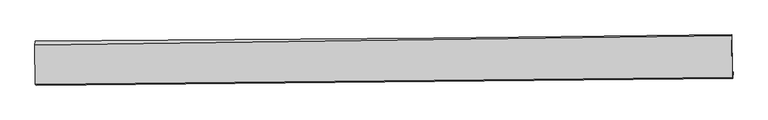
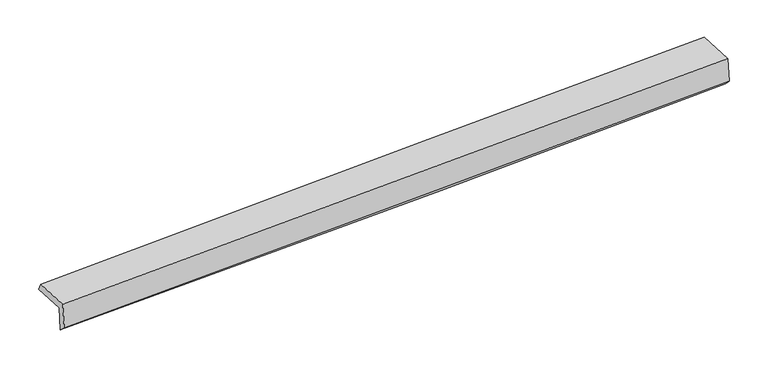
"""IFC4 building model written with IfcOpenShell, lengths in millimetres: proxy geometry."""

from ifc_helpers import new_model, si_unit, frame, origin, place, context, project, spatial, source, transform, mapped, element, save
from ifc_brep_helpers import plane_surface, spline_curve, spline_surface, advanced_brep


def generic_models_24ec1b34(model_context):
    return source(origin(), model_context, "Body", "AdvancedBrep", [
        advanced_brep(
        [(-5941.6040443, -1868.4134845, 1451.2293157), (-5954.8987172, -1853.4756017, 1841.6475662), (5393.4791849, -1751.2176044, 2234.1875022), (5407.1139359, -1766.5375986, 1833.7823433), (-5944.1074259, -1982.7569562, 1560.5885369), (5404.5206292, -1870.8889034, 1942.7561898), (-5958.1673313, -1966.959259, 1973.4789997), (5390.8008019, -1855.4733176, 2345.6597442), (-5963.9396117, -1325.5633554, 1948.7418431), (5384.6688211, -1174.1087463, 2319.3810886), (-5960.2315295, -1260.9118822, 1818.7937541), (5388.1463726, -1158.653885, 2211.33369)],
        [
            (0, 1),
            (1, 2, spline_curve(3, [(-5954.8987172, -1853.4756017, 1841.6475662), (-3791.186960087, -1839.146855124, 1912.228326145), (-1627.587193091, -1821.863332543, 1985.242771585), (2155.156185013, -1786.477741905, 2117.159817883), (3774.349051835, -1769.675265559, 2174.992017987), (5393.4791849, -1751.2176044, 2234.1875022)], [4, 2, 4], [0.0, 21.30811217937823, 37.25610151690787])),
            (2, 3),
            (3, 0, spline_curve(3, [(5407.1139359, -1766.5375986, 1833.7823433), (3788.218323866, -1785.258767855, 1767.699787937), (2169.138816301, -1802.188614546, 1706.538618578), (-1613.62278873, -1837.553724263, 1575.156848077), (-3777.449274489, -1854.582506789, 1508.800341699), (-5941.6040443, -1868.4134845, 1451.2293157)], [4, 2, 4], [0.0, 15.947989337529638, 37.25610151690787])),
            (4, 0),
            (3, 5),
            (5, 4, spline_curve(3, [(5404.5206292, -1870.8889034, 1942.7561898), (3785.219008496, -1888.09756437, 1888.273530616), (2165.912781812, -1904.772670618, 1833.770300024), (-1616.959620274, -1942.480949667, 1706.397234421), (-3780.529412799, -1963.095195026, 1633.511247564), (-5944.1074259, -1982.7569562, 1560.5885369)], [4, 2, 4], [0.0, 15.947957395189619, 37.25602689640009])),
            (6, 4),
            (5, 7),
            (7, 6, spline_curve(3, [(5390.8008019, -1855.4733176, 2345.6597442), (3771.337296368, -1872.500085896, 2295.93106601), (2151.917710644, -1889.047821081, 2244.756804984), (-1631.106150705, -1926.585920454, 2121.831575724), (-3794.675943102, -1947.200165919, 2048.945588899), (-5958.1673313, -1966.959259, 1973.4789997)], [4, 2, 4], [0.0, 15.94792717125901, 37.25595629026893])),
            (8, 6),
            (7, 9),
            (9, 8, spline_curve(3, [(5384.6688211, -1174.1087463, 2319.3810886), (3765.219311322, -1192.690677925, 2269.712389283), (2145.829700956, -1212.56913562, 2218.666586584), (-1637.086807272, -1262.036019341, 2096.201423296), (-3800.566673788, -1292.642431485, 2023.70081102), (-5963.9396117, -1325.5633554, 1948.7418431)], [4, 2, 4], [0.0, 15.947951479029197, 37.256013075656384])),
            (10, 8),
            (9, 11),
            (11, 10, spline_curve(3, [(5388.1463726, -1158.653885, 2211.33369), (3769.016239446, -1177.111546506, 2152.138205825), (2149.823372313, -1193.914022444, 2094.306005742), (-1632.920004857, -1229.299612991, 1962.388959541), (-3796.519772375, -1246.583136079, 1889.374513786), (-5960.2315295, -1260.9118822, 1818.7937541)], [4, 2, 4], [0.0, 15.947927170297593, 37.25595628802296])),
            (1, 10),
            (11, 2),
        ],
        [
            spline_surface(3, 3, [[(-5941.6040443, -1868.4134845, 1451.2293157), (-3777.449274409, -1854.58250648, 1508.800341658), (-1613.622788744, -1837.553724504, 1575.15684822), (2169.138816312, -1802.188614366, 1706.538618471), (3788.218324039, -1785.258767688, 1767.699787745), (5407.1139359, -1766.5375986, 1833.7823433)], [(-5946.035601946, -1863.434190251, 1581.368732536), (-3782.02850288, -1849.437289424, 1643.276336411), (-1618.277590117, -1832.323593802, 1711.852155933), (2164.477939125, -1796.951656884, 1843.412351693), (3783.595233303, -1780.064267029, 1903.463864487), (5402.569018902, -1761.430933884, 1967.250729576)], [(-5950.467159554, -1858.454895949, 1711.508149364), (-3786.607731312, -1844.292072313, 1777.752331156), (-1622.932391438, -1827.093463153, 1848.547463598), (2159.81706199, -1791.714699455, 1980.286084866), (3778.972142562, -1774.869766319, 2039.2279413), (5398.024101898, -1756.324269116, 2100.719115924)], [(-5954.8987172, -1853.4756017, 1841.6475662), (-3791.186959783, -1839.146855256, 1912.22832591), (-1627.58719281, -1821.863332451, 1985.242771312), (2155.156184803, -1786.477741974, 2117.159818088), (3774.349051826, -1769.67526566, 2174.992018042), (5393.4791849, -1751.2176044, 2234.1875022)]], [4, 4], [4, 2, 4], [0.0, 1.346825880602295], [0.0, 21.30811217937823, 37.25610151690787]),
            spline_surface(3, 3, [[(-5944.1074259, -1982.7569562, 1560.5885369), (-3780.529412463, -1963.095194942, 1633.511247209), (-1616.959620425, -1942.48094985, 1706.397234323), (2165.912781926, -1904.772670481, 1833.770300098), (3785.219008244, -1888.097564632, 1888.273530631), (5404.5206292, -1870.8889034, 1942.7561898)], [(-5943.272965379, -1944.642465608, 1524.135463169), (-3779.502699791, -1926.924298763, 1591.940945361), (-1615.847343174, -1907.505208085, 1662.650438934), (2166.988126745, -1870.577985127, 1791.359739534), (3786.218780162, -1853.817965632, 1848.082283028), (5405.385064753, -1836.105135115, 1906.431574325)], [(-5942.438504821, -1906.527975092, 1487.682389431), (-3778.475987081, -1890.753402659, 1550.370643506), (-1614.735065996, -1872.529466269, 1618.903643609), (2168.063471492, -1836.383299721, 1748.949179035), (3787.21855212, -1819.538366687, 1807.891035349), (5406.249500347, -1801.321366885, 1870.106958775)], [(-5941.6040443, -1868.4134845, 1451.2293157), (-3777.449274409, -1854.58250648, 1508.800341658), (-1613.622788744, -1837.553724504, 1575.15684822), (2169.138816312, -1802.188614366, 1706.538618471), (3788.218324039, -1785.258767688, 1767.699787745), (5407.1139359, -1766.5375986, 1833.7823433)]], [4, 4], [4, 2, 4], [0.0, 0.5451636408277997], [0.0, 21.30806950121047, 37.25602689640009]),
            spline_surface(3, 3, [[(-5958.1673313, -1966.959259, 1973.4789997), (-3794.675943005, -1947.200165809, 2048.945588788), (-1631.106150967, -1926.585920617, 2121.831575902), (2151.91771084, -1889.047820959, 2244.756804851), (3771.337296554, -1872.500085675, 2295.931065865), (5390.8008019, -1855.4733176, 2345.6597442)], [(-5953.480696172, -1972.225158081, 1835.84884544), (-3789.96043283, -1952.498508868, 1910.467474936), (-1626.390640792, -1931.884263676, 1983.353462049), (2156.58273453, -1894.289437448, 2107.761303273), (3775.964533793, -1877.699245341, 2160.045220767), (5395.374077676, -1860.611846214, 2211.35855938)], [(-5948.794061028, -1977.491057119, 1698.21869116), (-3785.244922638, -1957.796851883, 1771.989361062), (-1621.6751306, -1937.182606791, 1844.875348176), (2161.247758236, -1899.531053993, 1970.765801675), (3780.591771005, -1882.898404966, 2024.159375729), (5399.947353424, -1865.750374786, 2077.05737462)], [(-5944.1074259, -1982.7569562, 1560.5885369), (-3780.529412463, -1963.095194942, 1633.511247209), (-1616.959620425, -1942.48094985, 1706.397234323), (2165.912781926, -1904.772670481, 1833.770300098), (3785.219008244, -1888.097564632, 1888.273530631), (5404.5206292, -1870.8889034, 1942.7561898)]], [4, 4], [4, 2, 4], [0.0, 1.3591599898943219], [0.0, 21.308029119009916, 37.25595629026893]),
            spline_surface(3, 3, [[(-5963.9396117, -1325.5633554, 1948.7418431), (-3800.566674077, -1292.642431822, 2023.700810832), (-1637.086807143, -1262.036019671, 2096.201423281), (2145.82970086, -1212.569135373, 2218.666586596), (3765.219311539, -1192.690677803, 2269.712389321), (5384.6688211, -1174.1087463, 2319.3810886)], [(-5962.015518233, -1539.361989938, 1956.987561949), (-3798.603097053, -1510.828343155, 2032.1157368), (-1635.093255087, -1483.552653312, 2104.744807505), (2147.859037518, -1438.06203056, 2227.363326031), (3767.258639874, -1419.293813759, 2278.451948175), (5386.712814697, -1401.230270065, 2328.140640473)], [(-5960.091424767, -1753.160624462, 1965.233280851), (-3796.639520029, -1729.014254475, 2040.53066282), (-1633.099703023, -1705.069286977, 2113.288191678), (2149.888374182, -1663.554925772, 2236.060065416), (3769.297968219, -1645.896949719, 2287.191507011), (5388.756808303, -1628.351793835, 2336.900192327)], [(-5958.1673313, -1966.959259, 1973.4789997), (-3794.675943005, -1947.200165809, 2048.945588788), (-1631.106150967, -1926.585920617, 2121.831575902), (2151.91771084, -1889.047820959, 2244.756804851), (3771.337296554, -1872.500085675, 2295.931065865), (5390.8008019, -1855.4733176, 2345.6597442)]], [4, 4], [4, 2, 4], [0.0, 2.195445566770684], [0.0, 21.308061596627187, 37.256013075656384]),
            spline_surface(3, 3, [[(-5960.2315295, -1260.9118822, 1818.7937541), (-3796.519772083, -1246.583135756, 1889.37451381), (-1632.92000511, -1229.299612951, 1962.388959212), (2149.823372503, -1193.914022474, 2094.306005988), (3769.016239526, -1177.11154626, 2152.138205842), (5388.1463726, -1158.653885, 2211.33369)], [(-5961.46755688, -1282.462373247, 1862.109783787), (-3797.868739394, -1261.936234425, 1934.149946171), (-1634.308939131, -1240.211748544, 2006.993113899), (2148.492148612, -1200.13239346, 2135.759532855), (3767.750596859, -1182.304590123, 2191.32960033), (5386.987188762, -1163.805505448, 2247.349489528)], [(-5962.70358432, -1304.012864353, 1905.425813413), (-3799.217706766, -1277.289333153, 1978.92537847), (-1635.697873123, -1251.123884078, 2051.597268594), (2147.160924751, -1206.350764387, 2177.213059729), (3766.484954206, -1187.49763394, 2230.520994833), (5385.828004938, -1168.957125852, 2283.365289072)], [(-5963.9396117, -1325.5633554, 1948.7418431), (-3800.566674077, -1292.642431822, 2023.700810832), (-1637.086807143, -1262.036019671, 2096.201423281), (2145.82970086, -1212.569135373, 2218.666586596), (3765.219311539, -1192.690677803, 2269.712389321), (5384.6688211, -1174.1087463, 2319.3810886)]], [4, 4], [4, 2, 4], [0.0, 0.43716409476898316], [0.0, 21.308029117725365, 37.25595628802296]),
            spline_surface(3, 3, [[(-5954.8987172, -1853.4756017, 1841.6475662), (-3791.186959783, -1839.146855256, 1912.22832591), (-1627.58719281, -1821.863332451, 1985.242771312), (2155.156184803, -1786.477741974, 2117.159818088), (3774.349051826, -1769.67526566, 2174.992018042), (5393.4791849, -1751.2176044, 2234.1875022)], [(-5956.676321289, -1655.954361874, 1834.029628818), (-3792.964563873, -1641.62561543, 1904.610388527), (-1629.3647969, -1624.342092625, 1977.624833929), (2153.378580714, -1588.956502148, 2109.541880706), (3772.571447736, -1572.154025834, 2167.374080659), (5391.701580811, -1553.696364574, 2226.569564818)], [(-5958.453925411, -1458.433122026, 1826.411691482), (-3794.742167994, -1444.104375582, 1896.992451192), (-1631.142401021, -1426.820852777, 1970.006896594), (2151.600976592, -1391.4352623, 2101.923943371), (3770.793843615, -1374.632786086, 2159.756143224), (5389.923976689, -1356.175124826, 2218.951627382)], [(-5960.2315295, -1260.9118822, 1818.7937541), (-3796.519772083, -1246.583135756, 1889.37451381), (-1632.92000511, -1229.299612951, 1962.388959212), (2149.823372503, -1193.914022474, 2094.306005988), (3769.016239526, -1177.11154626, 2152.138205842), (5388.1463726, -1158.653885, 2211.33369)]], [4, 4], [4, 2, 4], [0.0, 1.9456307192270188], [0.0, 21.308077514276818, 37.256040906820665]),
            plane_surface(frame((5394.788291, -1596.1466759, 2147.850093), z_axis=(0.9993811104500078, 0.010291312078686854, 0.03363755299376974), x_axis=(0.00899250976523038, -0.9992166920404639, 0.038537476770476496))),
            plane_surface(frame((-5953.8247766, -1709.6800898, 1765.7466693), z_axis=(-0.9993811104500078, -0.010291312078676902, -0.033637552993772774), x_axis=(0.0340078056309432, -0.0382111403050488, -0.9986908319959465))),
        ],
        [
            (0, [[1, 2, 3, 4]]),
            (1, [[5, -4, 6, 7]]),
            (2, [[8, -7, 9, 10]]),
            (3, [[11, -10, 12, 13]]),
            (4, [[14, -13, 15, 16]]),
            (5, [[17, -16, 18, -2]]),
            (6, [[-12, -9, -6, -3, -18, -15]]),
            (7, [[-1, -5, -8, -11, -14, -17]]),
        ],
    ),
    ])


if __name__ == "__main__":
    model = new_model("IFC4")
    model_context = context("Model", 3, world=origin())
    ifc_project = project(units=[si_unit("LENGTHUNIT", "METRE", prefix="MILLI")], contexts=[model_context])
    site = spatial("IfcSite", under=ifc_project)
    building = spatial("IfcBuilding", under=site)
    placement = place(None, origin())
    generic_models_shape = generic_models_24ec1b34(model_context)
    element("IfcBuildingElementProxy", 1, Name="Generic Models", at=placement, inside=building, context=model_context, shape_type="MappedRepresentation", body=[
        mapped(generic_models_shape, transform((0.0, 0.0, 0.0), x_axis=(1.0, 0.0, 0.0), y_axis=(0.0, 1.0, 0.0), z_axis=(0.0, 0.0, 1.0))),
    ])
    save(model, "model.ifc")
